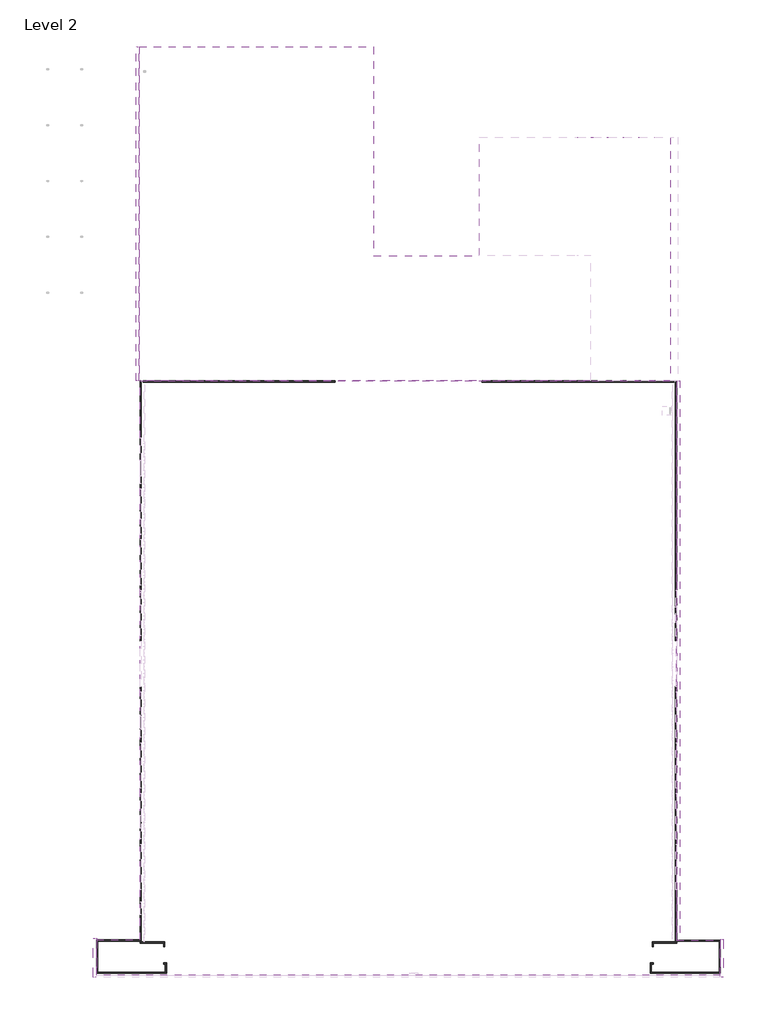
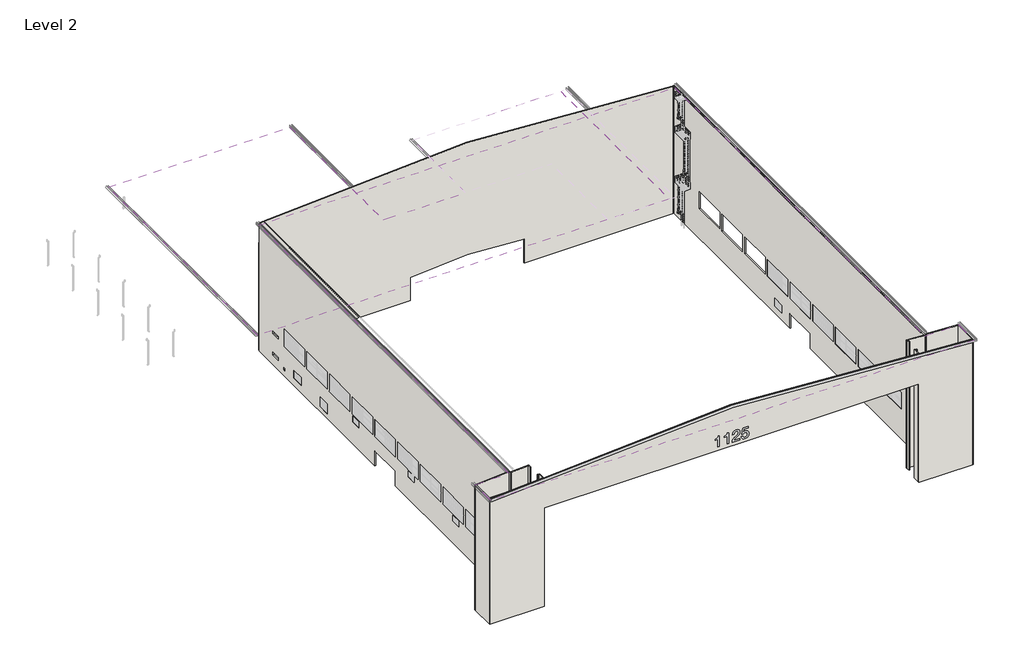
# One storey, part 1 of 10: 19 walls, 4 pipe segments, 2 roofs.
"""IFC4 building model written with IfcOpenShell, lengths in millimetres."""

from ifc_helpers import new_model, si_unit, frame, origin, place, context, project, spatial, polyline, outline, extrude, faceted_brep, element, save

model = new_model("IFC4")

# Units and contexts
model_context = context("Model", 3, world=origin())
ifc_project = project(units=[si_unit("LENGTHUNIT", "METRE", prefix="MILLI")], contexts=[model_context])

# Site, building, storey
site = spatial("IfcSite", under=ifc_project)
building = spatial("IfcBuilding", under=site)
storey = spatial("IfcBuildingStorey", under=building, Name="Level 2", Elevation=3048.0)

# Pipe segments
placement = place(None, origin())
element("IfcPipeSegment", 1, at=placement, inside=storey, context=model_context, shape_type="SweptSolid", body=[
    extrude(outline(polyline([(6020.3203907, 255436.6386377), (6020.3203907, 255773.1886377), (6172.7203907, 255814.0240946), (6350.5203907, 255773.1886377), (6355.2736161, 255697.1370312), (6345.7671653, 255696.5428781), (6342.5983484, 255747.243949), (6345.7671653, 255747.4420001), (6348.7379312, 255699.9097461), (6351.9067482, 255700.1077971), (6347.49395, 255770.7125682), (6172.7203907, 255810.7370928), (6023.4953907, 255770.7523745), (6023.4953907, 255439.8136377), (6363.2203907, 255439.8136377), (6363.2203907, 255436.6386377), (6020.3203907, 255436.6386377)])), frame((0.0, 263276.0380843, 0.0), z_axis=(0.0, 1.0, 0.0), x_axis=(0.0, 0.0, 1.0)), (0.0, 0.0, 1.0), 29270.96),
    extrude(outline(polyline([(6020.3203907, 231551.7557747), (6363.2203907, 231551.7557747), (6363.2203907, 231548.5807747), (6023.4953907, 231548.5807747), (6023.4953907, 231217.6420379), (6172.7203907, 231177.6573196), (6347.49395, 231217.6818442), (6351.9067482, 231288.2866153), (6348.7379312, 231288.4846663), (6345.7671653, 231240.9524123), (6342.5983484, 231241.1504633), (6345.7671653, 231291.8515343), (6355.2736161, 231291.2573811), (6350.5203907, 231215.2057747), (6172.7203907, 231174.3703177), (6020.3203907, 231215.2057747), (6020.3203907, 231551.7557747)])), frame((0.0, 278322.9980844, 0.0), z_axis=(0.0, 1.0, 0.0), x_axis=(0.0, 0.0, 1.0)), (0.0, 0.0, 1.0), 14224.0),
    extrude(outline(polyline([(6025.0643596, 218852.0522727), (6025.0643596, 219188.6022727), (6177.4643596, 219229.4377296), (6355.2643596, 219188.6022727), (6360.017585, 219112.5506662), (6350.5111342, 219111.9565131), (6347.3423173, 219162.657584), (6350.5111342, 219162.8556351), (6353.4819001, 219115.3233811), (6356.650717, 219115.5214321), (6352.2379188, 219186.1262032), (6177.4643596, 219226.1507278), (6028.2393596, 219186.1660095), (6028.2393596, 218855.2272727), (6367.9643596, 218855.2272727), (6367.9643596, 218852.0522727), (6025.0643596, 218852.0522727)])), frame((0.0, 278322.9980844, 0.0), z_axis=(0.0, 1.0, 0.0), x_axis=(0.0, 0.0, 1.0)), (0.0, 0.0, 1.0), 25095.2),
    extrude(outline(polyline([(6025.0643596, 190716.7529312), (6367.9643596, 190716.7529312), (6367.9643596, 190713.5779312), (6028.2393596, 190713.5779312), (6028.2393596, 190382.6391944), (6177.4643596, 190342.6544762), (6352.2379188, 190382.6790008), (6356.650717, 190453.2837718), (6353.4819001, 190453.4818229), (6350.5111342, 190405.9495689), (6347.3423173, 190406.1476199), (6350.5111342, 190456.8486909), (6360.017585, 190456.2545377), (6355.2643596, 190380.2029312), (6177.4643596, 190339.3674743), (6025.0643596, 190380.2029312), (6025.0643596, 190716.7529312)])), frame((0.0, 263311.5980843, 0.0), z_axis=(0.0, 1.0, 0.0), x_axis=(0.0, 0.0, 1.0)), (0.0, 0.0, 1.0), 40106.6),
])
element("IfcPipeSegment", 2, at=placement, inside=storey, context=model_context, shape_type="SweptSolid", body=[
    extrude(outline(polyline([(24405.8137487, 190820.3157747), (24748.7137487, 190820.3157747), (24748.7137487, 190817.1407747), (24408.9887487, 190817.1407747), (24408.9887487, 190486.2020379), (24558.2137487, 190446.2173196), (24732.9873079, 190486.2418442), (24737.4001061, 190556.8466153), (24734.2312892, 190557.0446663), (24731.2605233, 190509.5124123), (24728.0917064, 190509.7104633), (24731.2605233, 190560.4115343), (24740.7669741, 190559.8173811), (24736.0137487, 190483.7657747), (24558.2137487, 190442.9303177), (24405.8137487, 190483.7657747), (24405.8137487, 190820.3157747)])), frame((0.0, 196128.5980844, 0.0), z_axis=(0.0, 1.0, 0.0), x_axis=(0.0, 0.0, 1.0)), (0.0, 0.0, 1.0), 67147.44),
    extrude(outline(polyline([(24405.8137487, 255315.9957747), (24405.8137487, 255652.5457747), (24558.2137487, 255693.3812316), (24736.0137487, 255652.5457747), (24740.7669741, 255576.4941682), (24731.2605233, 255575.900015), (24728.0917064, 255626.601086), (24731.2605233, 255626.7991371), (24734.2312892, 255579.266883), (24737.4001061, 255579.4649341), (24732.9873079, 255650.0697052), (24558.2137487, 255690.0942297), (24408.9887487, 255650.1095115), (24408.9887487, 255319.1707747), (24748.7137487, 255319.1707747), (24748.7137487, 255315.9957747), (24405.8137487, 255315.9957747)])), frame((0.0, 196113.3580844, 0.0), z_axis=(0.0, 1.0, 0.0), x_axis=(0.0, 0.0, 1.0)), (0.0, 0.0, 1.0), 67162.68),
])
element("IfcPipeSegment", 3, at=placement, inside=storey, context=model_context, shape_type="SweptSolid", body=[
    extrude(outline(polyline([(24078.7887487, 185580.8299002), (24421.6887487, 185580.8299002), (24421.6887487, 185577.6549002), (24081.9637487, 185577.6549002), (24081.9637487, 185246.7161634), (24231.1887487, 185206.7314452), (24405.962308, 185246.7559698), (24410.3751062, 185317.3607409), (24407.2062892, 185317.5587919), (24404.2355233, 185270.0265379), (24401.0667064, 185270.2245889), (24404.2355233, 185320.9256599), (24413.7419741, 185320.3315067), (24408.9887487, 185244.2799002), (24231.1887487, 185203.4444433), (24078.7887487, 185244.2799002), (24078.7887487, 185580.8299002)])), frame((0.0, 191622.6954611, 0.0), z_axis=(0.0, 1.0, 0.0), x_axis=(0.0, 0.0, 1.0)), (0.0, 0.0, 1.0), 4709.8496821),
])
element("IfcPipeSegment", 4, at=placement, inside=storey, context=model_context, shape_type="SweptSolid", body=[
    extrude(outline(polyline([(24078.7887487, 260548.3957747), (24078.7887487, 260884.9457747), (24231.1887487, 260925.7812316), (24408.9887487, 260884.9457747), (24413.7419741, 260808.8941682), (24404.2355233, 260808.300015), (24401.0667064, 260859.001086), (24404.2355233, 260859.1991371), (24407.2062892, 260811.666883), (24410.3751061, 260811.8649341), (24405.9623079, 260882.4697052), (24231.1887487, 260922.4942297), (24081.9637487, 260882.5095115), (24081.9637487, 260551.5707747), (24421.6887487, 260551.5707747), (24421.6887487, 260548.3957747), (24078.7887487, 260548.3957747)])), frame((0.0, 191668.1626274, 0.0), z_axis=(0.0, 1.0, 0.0), x_axis=(0.0, 0.0, 1.0)), (0.0, 0.0, 1.0), 4562.0354569),
])

# Roofs
element("IfcRoof", 5, ObjectType="HANGAR ROOF", at=placement, inside=storey, context=model_context, shape_type="Brep", body=[
    faceted_brep([(260548.3957747, 196113.3580844, 24154.468358), (260548.3957747, 191861.3980844, 24154.468358), (223068.1557747, 191861.3980844, 26496.983358), (223068.1557747, 263276.0380843, 26496.983358), (255315.9957747, 263276.0380843, 24481.493358), (255315.9957747, 196113.3580844, 24481.493358), (254544.4707747, 259234.8980843, 24529.7136705), (254544.4707747, 260149.2980843, 24529.7136705), (253631.8514969, 260149.2980843, 24586.7523753), (253631.8514969, 259234.8980843, 24586.7523753), (260548.3957747, 191861.3980844, 24421.6887487), (260548.3957747, 196113.3580844, 24421.6887487), (255315.9957747, 196113.3580844, 24748.7137487), (255315.9957747, 263276.0380843, 24748.7137487), (223068.1557747, 263276.0380843, 26764.2037487), (223068.1557747, 191861.3980844, 26764.2037487), (254561.1070636, 259234.8980843, 24795.8942932), (253648.4877858, 259234.8980843, 24852.932998), (253648.4877858, 260149.2980843, 24852.932998), (254561.1070636, 260149.2980843, 24795.8942932), (185580.8299002, 191861.3980844, 24421.2458816), (185580.8299002, 191861.3980844, 24154.0254908), (190820.3157747, 263276.0380843, 24748.7137487), (190820.3157747, 263276.0380843, 24481.493358), (190820.3157747, 196128.5980844, 24481.493358), (190820.3157747, 196128.5980844, 24748.7137487), (185580.8299003, 196128.5980844, 24154.0254908), (185580.8299003, 196128.5980844, 24421.2458816)], [[[0, 1, 2, 3, 4, 5], [6, 7, 8, 9]], [[10, 11, 12, 13, 14, 15], [16, 17, 18, 19]], [[4, 13, 12, 5]], [[10, 15, 20, 21, 2, 1]], [[22, 14, 13, 4, 3, 23]], [[24, 25, 22, 23]], [[2, 21, 26, 24, 23, 3]], [[20, 15, 14, 22, 25, 27]], [[27, 25, 24, 26]], [[20, 27, 26, 21]], [[12, 11, 0, 5]], [[11, 10, 1, 0]], [[17, 16, 6, 9]], [[18, 17, 9, 8]], [[19, 18, 8, 7]], [[16, 19, 7, 6]]]),
])
element("IfcRoof", 6, ObjectType="HANGAR ROOF", at=placement, inside=storey, context=model_context, shape_type="Brep", body=[
    faceted_brep([(190716.7529312, 303418.1980843, 6100.7439689), (204784.402602, 303418.1980843, 6979.9720733), (204784.402602, 278322.9980844, 6979.9720733), (206922.1657279, 278322.9980844, 7113.5822687), (218852.0522727, 278322.9980844, 7859.2001777), (222627.902602, 278322.9980844, 8095.1908233), (222627.902602, 263311.5980843, 8095.1908233), (190716.7529312, 263311.5980843, 6100.7439689), (190716.7529312, 303418.1980843, 6367.9643596), (190716.7529312, 263311.5980843, 6367.9643596), (222627.902602, 263311.5980843, 8362.411214), (222627.902602, 278322.9980844, 8362.411214), (218852.0522727, 278322.9980844, 8126.4205685), (204784.402602, 278322.9980844, 7247.192464), (204784.402602, 303418.1980843, 7247.192464), (218852.0522727, 303418.1980843, 6100.7439689), (218852.0522727, 278322.9980844, 6100.7439689), (218852.0522727, 303418.1980843, 6367.9643596), (218852.0522727, 278322.9980844, 6367.9643596), (254539.0522727, 263311.5980843, 6100.7439689), (231577.4522727, 278322.9980844, 7535.8439689), (240920.4891468, 278322.9980844, 6951.9041642), (243058.2522727, 278322.9980844, 6818.2939689), (243058.2522727, 292546.9980843, 6818.2939689), (243083.3557746, 292546.9980843, 6816.725), (254539.0522727, 292546.9980843, 6100.7439689), (231577.4522727, 278322.9980844, 6100.7439689), (231577.4522727, 292546.9980843, 6100.7439689), (254539.0522727, 263311.5980843, 6367.9643596), (254539.0522727, 292546.9980843, 6367.9643596), (243083.3557746, 292546.9980843, 7083.9453907), (243058.2522727, 292546.9980843, 7085.5143596), (243058.2522727, 278322.9980844, 7085.5143596), (231577.4522727, 278322.9980844, 7803.0643596), (244969.3057747, 263311.5980843, 6966.0735157), (231577.4522727, 292546.9980843, 6367.9643596), (231577.4522727, 278322.9980844, 6367.9643596), (254539.0522727, 292546.9980843, 6152.0991478), (254539.0522727, 263311.5980843, 6152.0991478), (231577.4522727, 278322.9980844, 6364.8264219), (231577.4522727, 292546.9980843, 6364.8264219)], [[[0, 1, 2, 3, 4, 5, 6, 7]], [[8, 9, 10, 11, 12, 13, 14]], [[7, 9, 8, 0]], [[1, 15, 16, 2]], [[17, 14, 13, 3, 18]], [[15, 17, 18, 16]], [[8, 14, 17, 15, 1, 0]], [[19, 6, 5, 20, 21, 22, 23, 24, 25]], [[26, 27, 23, 22]], [[28, 29, 30, 31, 32, 33, 11, 10, 34]], [[35, 36, 21, 32, 31]], [[25, 37, 29, 28, 38, 19]], [[26, 39, 36, 35, 40, 27]], [[28, 34, 10, 9, 7, 6, 19, 38]], [[18, 3, 2, 16]], [[3, 13, 12, 11, 33, 32, 21, 20, 5, 4]], [[21, 36, 39, 26, 22]], [[35, 31, 30, 29, 37, 25, 24, 23, 27, 40]]]),
])

# Walls
element("IfcWall", 7, ObjectType="6\" Structural Insulated Panel", at=placement, inside=storey, context=model_context, shape_type="Brep", body=[
    faceted_brep([(190972.7157747, 195747.5980844, 3657.6), (190972.7157747, 195899.9980844, 3657.6), (190972.7157747, 226541.9230843, 3657.6), (190972.7157747, 226541.9230843, 6096.0), (190972.7157747, 232028.3230843, 6096.0), (190972.7157747, 232028.3230843, 3657.6), (190972.7157747, 263123.6380843, 3657.6), (190972.7157747, 263123.6380843, 24491.018358), (190972.7157747, 195899.9980844, 24491.018358), (190972.7157747, 195747.5980844, 24491.018358), (190972.7157747, 250925.9230843, 8534.4), (190972.7157747, 250925.9230843, 11278.616), (190972.7157747, 256412.3230843, 11278.616), (190972.7157747, 256412.3230843, 8534.4), (190972.7157747, 244829.9230843, 11278.616), (190972.7157747, 250316.3230843, 11278.616), (190972.7157747, 250316.3230843, 8534.4), (190972.7157747, 244829.9230843, 8534.4), (190972.7157747, 238733.9230843, 11278.616), (190972.7157747, 244220.3230843, 11278.616), (190972.7157747, 244220.3230843, 8534.4), (190972.7157747, 238733.9230843, 8534.4), (190972.7157747, 232637.9230843, 11278.616), (190972.7157747, 238124.3230843, 11278.616), (190972.7157747, 238124.3230843, 8534.4), (190972.7157747, 232637.9230843, 8534.4), (190972.7157747, 226541.9230843, 11278.616), (190972.7157747, 232028.3230843, 11278.616), (190972.7157747, 232028.3230843, 8534.4), (190972.7157747, 226541.9230843, 8534.4), (190972.7157747, 220445.9230843, 11278.616), (190972.7157747, 225932.3230843, 11278.616), (190972.7157747, 225932.3230843, 8534.4), (190972.7157747, 220445.9230843, 8534.4), (190972.7157747, 202157.9230843, 11278.616), (190972.7157747, 207644.3230843, 11278.616), (190972.7157747, 207644.3230843, 8534.4), (190972.7157747, 202157.9230843, 8534.4), (190972.7157747, 208253.9230843, 11278.616), (190972.7157747, 213740.3230843, 11278.616), (190972.7157747, 213740.3230843, 8534.4), (190972.7157747, 208253.9230843, 8534.4), (190972.7157747, 214349.9230843, 11278.616), (190972.7157747, 219836.3230843, 11278.616), (190972.7157747, 219836.3230843, 8534.4), (190972.7157747, 214349.9230843, 8534.4), (190972.7157747, 256177.7699594, 4584.9925518), (190972.7157747, 256177.7699594, 4940.5925518), (190972.7157747, 256533.3699594, 4940.5925518), (190972.7157747, 256533.3699594, 4584.9925518), (190972.7157747, 251823.7776019, 4842.8279518), (190972.7157747, 251823.7776019, 6112.8279518), (190972.7157747, 253754.1776019, 6112.8279518), (190972.7157747, 253754.1776019, 4842.8279518), (190972.7157747, 257926.7980843, 5249.2279518), (190972.7157747, 257926.7980843, 5706.4279518), (190972.7157747, 259399.9980843, 5706.4279518), (190972.7157747, 259399.9980843, 5249.2279518), (190972.7157747, 257926.7980843, 8729.0279518), (190972.7157747, 257926.7980843, 9186.2279518), (190972.7157747, 259399.9980843, 9186.2279518), (190972.7157747, 259399.9980843, 8729.0279518), (190972.7157747, 244769.5980844, 4461.8279518), (190972.7157747, 244769.5980844, 6036.6279518), (190972.7157747, 246699.9980844, 6036.6279518), (190972.7157747, 246699.9980844, 4461.8279518), (190972.7157747, 236336.7980843, 7281.2279518), (190972.7157747, 236336.7980843, 8246.4279518), (190972.7157747, 237911.5980843, 8246.4279518), (190972.7157747, 237911.5980843, 7281.2279518), (190972.7157747, 221507.997223, 7281.2279518), (190972.7157747, 221507.997223, 8246.4279518), (190972.7157747, 223082.797223, 8246.4279518), (190972.7157747, 223082.797223, 7281.2279518), (190972.7157747, 209514.3980843, 7281.2279518), (190972.7157747, 209514.3980843, 8246.4279518), (190972.7157747, 211089.1980843, 8246.4279518), (190972.7157747, 211089.1980843, 7281.2279518), (190972.7157747, 199151.1980843, 7281.2279518), (190972.7157747, 199151.1980843, 8246.4279518), (190972.7157747, 200725.9980843, 8246.4279518), (190972.7157747, 200725.9980843, 7281.2279518), (190820.3157747, 226541.9230843, 3657.6), (190820.3157747, 196128.5980844, 3657.6), (190820.3157747, 196113.3580844, 3657.6), (190820.3157747, 195976.1980844, 3657.6), (190820.3157747, 195960.9580844, 3657.6), (190820.3157747, 195747.5980844, 3657.6), (190820.3157747, 195747.5980844, 24481.493358), (190820.3157747, 195976.1980844, 24481.493358), (190820.3157747, 196128.5980844, 24481.493358), (190820.3157747, 263123.6380843, 24481.493358), (190820.3157747, 263123.6380843, 21336.0), (190820.3157747, 263123.6380843, 3657.6), (190820.3157747, 232028.3230843, 3657.6), (190820.3157747, 232028.3230843, 6096.0), (190820.3157747, 226541.9230843, 6096.0), (190820.3157747, 250925.9230843, 11278.616), (190820.3157747, 250925.9230843, 8534.4), (190820.3157747, 256412.3230843, 8534.4), (190820.3157747, 256412.3230843, 11278.616), (190820.3157747, 250316.3230843, 11278.616), (190820.3157747, 244829.9230843, 11278.616), (190820.3157747, 244829.9230843, 8534.4), (190820.3157747, 250316.3230843, 8534.4), (190820.3157747, 244220.3230843, 11278.616), (190820.3157747, 238733.9230843, 11278.616), (190820.3157747, 238733.9230843, 8534.4), (190820.3157747, 244220.3230843, 8534.4), (190820.3157747, 238124.3230843, 11278.616), (190820.3157747, 232637.9230843, 11278.616), (190820.3157747, 232637.9230843, 8534.4), (190820.3157747, 238124.3230843, 8534.4), (190820.3157747, 232028.3230843, 11278.616), (190820.3157747, 226541.9230843, 11278.616), (190820.3157747, 226541.9230843, 8534.4), (190820.3157747, 232028.3230843, 8534.4), (190820.3157747, 225932.3230843, 11278.616), (190820.3157747, 220445.9230843, 11278.616), (190820.3157747, 220445.9230843, 8534.4), (190820.3157747, 225932.3230843, 8534.4), (190820.3157747, 207644.3230843, 11278.616), (190820.3157747, 202157.9230843, 11278.616), (190820.3157747, 202157.9230843, 8534.4), (190820.3157747, 207644.3230843, 8534.4), (190820.3157747, 213740.3230843, 11278.616), (190820.3157747, 208253.9230843, 11278.616), (190820.3157747, 208253.9230843, 8534.4), (190820.3157747, 213740.3230843, 8534.4), (190820.3157747, 219836.3230843, 11278.616), (190820.3157747, 214349.9230843, 11278.616), (190820.3157747, 214349.9230843, 8534.4), (190820.3157747, 219836.3230843, 8534.4), (190820.3157747, 256177.7699594, 4584.9925518), (190820.3157747, 256533.3699594, 4584.9925518), (190820.3157747, 256533.3699594, 4940.5925518), (190820.3157747, 256177.7699594, 4940.5925518), (190820.3157747, 251823.7776019, 4842.8279518), (190820.3157747, 253754.1776019, 4842.8279518), (190820.3157747, 253754.1776019, 6112.8279518), (190820.3157747, 251823.7776019, 6112.8279518), (190820.3157747, 257926.7980843, 5249.2279518), (190820.3157747, 259399.9980843, 5249.2279518), (190820.3157747, 259399.9980843, 5706.4279518), (190820.3157747, 257926.7980843, 5706.4279518), (190820.3157747, 257926.7980843, 8729.0279518), (190820.3157747, 259399.9980843, 8729.0279518), (190820.3157747, 259399.9980843, 9186.2279518), (190820.3157747, 257926.7980843, 9186.2279518), (190820.3157747, 244769.5980844, 4461.8279518), (190820.3157747, 246699.9980844, 4461.8279518), (190820.3157747, 246699.9980844, 6036.6279518), (190820.3157747, 244769.5980844, 6036.6279518), (190820.3157747, 236336.7980843, 7281.2279518), (190820.3157747, 237911.5980843, 7281.2279518), (190820.3157747, 237911.5980843, 8246.4279518), (190820.3157747, 236336.7980843, 8246.4279518), (190820.3157747, 221507.997223, 7281.2279518), (190820.3157747, 223082.797223, 7281.2279518), (190820.3157747, 223082.797223, 8246.4279518), (190820.3157747, 221507.997223, 8246.4279518), (190820.3157747, 209514.3980843, 7281.2279518), (190820.3157747, 211089.1980843, 7281.2279518), (190820.3157747, 211089.1980843, 8246.4279518), (190820.3157747, 209514.3980843, 8246.4279518), (190820.3157747, 199151.1980843, 7281.2279518), (190820.3157747, 200725.9980843, 7281.2279518), (190820.3157747, 200725.9980843, 8246.4279518), (190820.3157747, 199151.1980843, 8246.4279518), (190869.1529312, 263123.6380843, 3657.6)], [[[0, 1, 2, 3, 4, 5, 6, 7, 8, 9], [10, 11, 12, 13], [14, 15, 16, 17], [18, 19, 20, 21], [22, 23, 24, 25], [26, 27, 28, 29], [30, 31, 32, 33], [34, 35, 36, 37], [38, 39, 40, 41], [42, 43, 44, 45], [46, 47, 48, 49], [50, 51, 52, 53], [54, 55, 56, 57], [58, 59, 60, 61], [62, 63, 64, 65], [66, 67, 68, 69], [70, 71, 72, 73], [74, 75, 76, 77], [78, 79, 80, 81]], [[82, 83, 84, 85, 86, 87, 88, 89, 90, 91, 92, 93, 94, 95, 96], [97, 98, 99, 100], [101, 102, 103, 104], [105, 106, 107, 108], [109, 110, 111, 112], [113, 114, 115, 116], [117, 118, 119, 120], [121, 122, 123, 124], [125, 126, 127, 128], [129, 130, 131, 132], [133, 134, 135, 136], [137, 138, 139, 140], [141, 142, 143, 144], [145, 146, 147, 148], [149, 150, 151, 152], [153, 154, 155, 156], [157, 158, 159, 160], [161, 162, 163, 164], [165, 166, 167, 168]], [[10, 98, 97, 11]], [[12, 11, 97, 100]], [[12, 100, 99, 13]], [[98, 10, 13, 99]], [[102, 14, 17, 103]], [[15, 14, 102, 101]], [[15, 101, 104, 16]], [[103, 17, 16, 104]], [[106, 18, 21, 107]], [[19, 18, 106, 105]], [[19, 105, 108, 20]], [[107, 21, 20, 108]], [[110, 22, 25, 111]], [[23, 22, 110, 109]], [[23, 109, 112, 24]], [[111, 25, 24, 112]], [[114, 26, 29, 115]], [[27, 26, 114, 113]], [[27, 113, 116, 28]], [[115, 29, 28, 116]], [[118, 30, 33, 119]], [[31, 30, 118, 117]], [[31, 117, 120, 32]], [[119, 33, 32, 120]], [[122, 34, 37, 123]], [[35, 34, 122, 121]], [[35, 121, 124, 36]], [[123, 37, 36, 124]], [[126, 38, 41, 127]], [[39, 38, 126, 125]], [[39, 125, 128, 40]], [[127, 41, 40, 128]], [[130, 42, 45, 131]], [[43, 42, 130, 129]], [[43, 129, 132, 44]], [[131, 45, 44, 132]], [[2, 1, 0, 87, 86, 85, 84, 83, 82]], [[3, 2, 82, 96]], [[4, 3, 96, 95]], [[5, 4, 95, 94]], [[6, 5, 94, 93, 169]], [[90, 89, 88, 9, 8, 7, 91]], [[0, 9, 88, 87]], [[47, 46, 133, 136]], [[48, 47, 136, 135]], [[49, 48, 135, 134]], [[46, 49, 134, 133]], [[51, 50, 137, 140]], [[52, 51, 140, 139]], [[53, 52, 139, 138]], [[50, 53, 138, 137]], [[55, 54, 141, 144]], [[56, 55, 144, 143]], [[57, 56, 143, 142]], [[54, 57, 142, 141]], [[59, 58, 145, 148]], [[60, 59, 148, 147]], [[61, 60, 147, 146]], [[58, 61, 146, 145]], [[63, 62, 149, 152]], [[64, 63, 152, 151]], [[65, 64, 151, 150]], [[62, 65, 150, 149]], [[67, 66, 153, 156]], [[68, 67, 156, 155]], [[69, 68, 155, 154]], [[66, 69, 154, 153]], [[71, 70, 157, 160]], [[72, 71, 160, 159]], [[73, 72, 159, 158]], [[70, 73, 158, 157]], [[75, 74, 161, 164]], [[76, 75, 164, 163]], [[77, 76, 163, 162]], [[74, 77, 162, 161]], [[79, 78, 165, 168]], [[80, 79, 168, 167]], [[81, 80, 167, 166]], [[78, 81, 166, 165]], [[7, 6, 169, 93, 92, 91]]]),
])
element("IfcWall", 8, ObjectType="6\" Structural Insulated Panel", at=placement, inside=storey, context=model_context, shape_type="Brep", body=[
    faceted_brep([(255315.9957747, 263276.0380843, 3657.6), (255284.2386377, 263276.0380843, 3657.6), (255284.2386377, 263276.0380843, 5855.2203907), (255131.8386377, 263276.0380843, 5855.2203907), (255131.8386377, 263276.0380843, 24493.003179), (255315.9957747, 263276.0380843, 24481.493358), (255315.9957747, 263123.6380843, 3657.6), (255315.9957747, 263123.6380843, 24481.493358), (255163.5957747, 263123.6380843, 24491.018358), (255131.8386377, 263123.6380843, 24493.003179), (255131.8386377, 263123.6380843, 5855.2203907), (255284.2386377, 263123.6380843, 5855.2203907), (255284.2386377, 263123.6380843, 3657.6), (255284.2386377, 263199.8380843, 5855.2203907)], [[[0, 1, 2, 3, 4, 5]], [[6, 7, 8, 9, 10, 11, 12]], [[1, 0, 6, 12]], [[0, 5, 7, 6]], [[5, 4, 9, 8, 7]], [[4, 3, 10, 9]], [[10, 3, 2, 13, 11]], [[2, 1, 12, 11, 13]]]),
])
element("IfcWall", 9, ObjectType="6\" Structural Insulated Panel", at=placement, inside=storey, context=model_context, shape_type="Brep", body=[
    faceted_brep([(255163.5957747, 263123.6380843, 24491.018358), (255163.5957747, 263123.6380843, 3657.6), (255163.5957747, 232076.9714147, 3657.6), (255163.5957747, 232076.9714147, 6096.0), (255163.5957747, 226590.5714147, 6096.0), (255163.5957747, 226590.5714147, 3657.6), (255163.5957747, 195909.5230844, 3657.6), (255163.5957747, 195757.1230844, 3657.6), (255163.5957747, 195757.1230844, 24491.018358), (255163.5957747, 195909.5230844, 24491.018358), (255163.5957747, 214340.3980843, 11278.616), (255163.5957747, 214340.3980843, 8534.4), (255163.5957747, 219826.7980843, 8534.4), (255163.5957747, 219826.7980843, 11278.616), (255163.5957747, 213730.7980843, 11278.616), (255163.5957747, 208244.3980843, 11278.616), (255163.5957747, 208244.3980843, 8534.4), (255163.5957747, 213730.7980843, 8534.4), (255163.5957747, 207634.7980843, 11278.616), (255163.5957747, 202148.3980843, 11278.616), (255163.5957747, 202148.3980843, 8534.4), (255163.5957747, 207634.7980843, 8534.4), (255163.5957747, 225922.7980843, 11277.6), (255163.5957747, 220436.3980843, 11277.6), (255163.5957747, 220436.3980843, 8533.384), (255163.5957747, 225922.7980843, 8533.384), (255163.5957747, 232018.7980843, 11278.616), (255163.5957747, 226532.3980843, 11278.616), (255163.5957747, 226532.3980843, 8534.4), (255163.5957747, 232018.7980843, 8534.4), (255163.5957747, 238114.7980843, 11278.616), (255163.5957747, 232628.3980843, 11278.616), (255163.5957747, 232628.3980843, 8534.4), (255163.5957747, 238114.7980843, 8534.4), (255163.5957747, 244210.7980843, 11278.616), (255163.5957747, 238724.3980843, 11278.616), (255163.5957747, 238724.3980843, 8534.4), (255163.5957747, 244210.7980843, 8534.4), (255163.5957747, 250306.7980843, 11278.616), (255163.5957747, 244820.3980843, 11278.616), (255163.5957747, 244820.3980843, 8534.4), (255163.5957747, 250306.7980843, 8534.4), (255163.5957747, 256402.7980843, 11278.616), (255163.5957747, 250916.3980843, 11278.616), (255163.5957747, 250916.3980843, 8534.4), (255163.5957747, 256402.7980843, 8534.4), (255163.5957747, 236127.2480843, 4842.8279518), (255163.5957747, 236127.2480843, 6112.8279518), (255163.5957747, 234196.8480843, 6112.8279518), (255163.5957747, 234196.8480843, 4842.8279518), (255315.9957747, 263123.6380843, 3657.6), (255315.9957747, 263123.6380843, 24481.493358), (255315.9957747, 196113.3580844, 24481.493358), (255315.9957747, 195960.9580844, 24481.493358), (255315.9957747, 195757.1230844, 24481.493358), (255315.9957747, 195757.1230844, 3657.6), (255315.9957747, 195960.9580844, 3657.6), (255315.9957747, 196113.3580844, 3657.6), (255315.9957747, 226590.5714147, 3657.6), (255315.9957747, 226590.5714147, 6096.0), (255315.9957747, 232076.9714147, 6096.0), (255315.9957747, 232076.9714147, 3657.6), (255315.9957747, 214340.3980843, 8534.4), (255315.9957747, 214340.3980843, 11278.616), (255315.9957747, 219826.7980843, 11278.616), (255315.9957747, 219826.7980843, 8534.4), (255315.9957747, 208244.3980843, 11278.616), (255315.9957747, 213730.7980843, 11278.616), (255315.9957747, 213730.7980843, 8534.4), (255315.9957747, 208244.3980843, 8534.4), (255315.9957747, 202148.3980843, 11278.616), (255315.9957747, 207634.7980843, 11278.616), (255315.9957747, 207634.7980843, 8534.4), (255315.9957747, 202148.3980843, 8534.4), (255315.9957747, 220436.3980843, 11277.6), (255315.9957747, 225922.7980843, 11277.6), (255315.9957747, 225922.7980843, 8533.384), (255315.9957747, 220436.3980843, 8533.384), (255315.9957747, 226532.3980843, 11278.616), (255315.9957747, 232018.7980843, 11278.616), (255315.9957747, 232018.7980843, 8534.4), (255315.9957747, 226532.3980843, 8534.4), (255315.9957747, 232628.3980843, 11278.616), (255315.9957747, 238114.7980843, 11278.616), (255315.9957747, 238114.7980843, 8534.4), (255315.9957747, 232628.3980843, 8534.4), (255315.9957747, 238724.3980843, 11278.616), (255315.9957747, 244210.7980843, 11278.616), (255315.9957747, 244210.7980843, 8534.4), (255315.9957747, 238724.3980843, 8534.4), (255315.9957747, 244820.3980843, 11278.616), (255315.9957747, 250306.7980843, 11278.616), (255315.9957747, 250306.7980843, 8534.4), (255315.9957747, 244820.3980843, 8534.4), (255315.9957747, 250916.3980843, 11278.616), (255315.9957747, 256402.7980843, 11278.616), (255315.9957747, 256402.7980843, 8534.4), (255315.9957747, 250916.3980843, 8534.4), (255315.9957747, 236127.2480843, 6112.8279518), (255315.9957747, 236127.2480843, 4842.8279518), (255315.9957747, 234196.8480843, 4842.8279518), (255315.9957747, 234196.8480843, 6112.8279518), (255284.2386377, 263123.6380843, 3657.6)], [[[0, 1, 2, 3, 4, 5, 6, 7, 8, 9], [10, 11, 12, 13], [14, 15, 16, 17], [18, 19, 20, 21], [22, 23, 24, 25], [26, 27, 28, 29], [30, 31, 32, 33], [34, 35, 36, 37], [38, 39, 40, 41], [42, 43, 44, 45], [46, 47, 48, 49]], [[50, 51, 52, 53, 54, 55, 56, 57, 58, 59, 60, 61], [62, 63, 64, 65], [66, 67, 68, 69], [70, 71, 72, 73], [74, 75, 76, 77], [78, 79, 80, 81], [82, 83, 84, 85], [86, 87, 88, 89], [90, 91, 92, 93], [94, 95, 96, 97], [98, 99, 100, 101]], [[1, 102, 50, 61, 2]], [[7, 6, 5, 58, 57, 56, 55]], [[1, 0, 51, 50, 102]], [[62, 11, 10, 63]], [[64, 63, 10, 13]], [[64, 13, 12, 65]], [[11, 62, 65, 12]], [[15, 66, 69, 16]], [[67, 66, 15, 14]], [[67, 14, 17, 68]], [[16, 69, 68, 17]], [[19, 70, 73, 20]], [[71, 70, 19, 18]], [[71, 18, 21, 72]], [[20, 73, 72, 21]], [[23, 74, 77, 24]], [[75, 74, 23, 22]], [[75, 22, 25, 76]], [[24, 77, 76, 25]], [[27, 78, 81, 28]], [[79, 78, 27, 26]], [[79, 26, 29, 80]], [[28, 81, 80, 29]], [[31, 82, 85, 32]], [[83, 82, 31, 30]], [[83, 30, 33, 84]], [[32, 85, 84, 33]], [[35, 86, 89, 36]], [[87, 86, 35, 34]], [[87, 34, 37, 88]], [[36, 89, 88, 37]], [[39, 90, 93, 40]], [[91, 90, 39, 38]], [[91, 38, 41, 92]], [[40, 93, 92, 41]], [[43, 94, 97, 44]], [[95, 94, 43, 42]], [[95, 42, 45, 96]], [[44, 97, 96, 45]], [[5, 4, 59, 58]], [[3, 2, 61, 60]], [[51, 0, 9, 8, 54, 53, 52]], [[8, 7, 55, 54]], [[3, 60, 59, 4]], [[47, 46, 99, 98]], [[48, 47, 98, 101]], [[49, 48, 101, 100]], [[46, 49, 100, 99]]]),
])
element("IfcWall", 10, ObjectType="6\" Structural Insulated Panel", at=placement, inside=storey, context=model_context, shape_type="SweptSolid", body=[
    extrude(outline(polyline([(21336.0, 190820.3157747), (3657.6, 190820.3157747), (3657.6, 190869.1529312), (5855.2203907, 190869.1529312), (5855.2203907, 191021.5529312), (21336.0, 191021.5529312), (21336.0, 190820.3157747)])), frame((0.0, 263123.6380843, 0.0), z_axis=(0.0, 1.0, 0.0), x_axis=(0.0, 0.0, 1.0)), (0.0, 0.0, 1.0), 152.4),
])
element("IfcWall", 11, ObjectType="6\" Structural Insulated Panel", at=placement, inside=storey, context=model_context, shape_type="Brep", body=[
    faceted_brep([(214238.4807747, 263276.0380843, 7497.4642635), (214238.4807747, 263276.0380843, 3657.6), (191173.9529312, 263276.0380843, 3657.6), (191173.9529312, 263276.0380843, 5855.2203907), (191021.5529312, 263276.0380843, 5855.2203907), (191021.5529312, 263276.0380843, 21336.0), (191021.5529312, 263276.0380843, 24494.0706803), (223068.1557747, 263276.0380843, 26496.983358), (254979.4386377, 263276.0380843, 24502.528179), (254979.4386377, 263276.0380843, 3657.6), (231907.3557747, 263276.0380843, 3657.6), (231907.3557747, 263276.0380843, 7612.359576), (223082.4432747, 263276.0380843, 8163.9166073), (214238.4807747, 263123.6380843, 7497.4642635), (223082.4432747, 263123.6380843, 8163.9166073), (231907.3557747, 263123.6380843, 7612.359576), (231907.3557747, 263123.6380843, 3657.6), (254979.4386377, 263123.6380843, 3657.6), (254979.4386377, 263123.6380843, 24502.528179), (223068.1557747, 263123.6380843, 26496.983358), (191021.5529312, 263123.6380843, 24494.0706803), (191021.5529312, 263123.6380843, 21336.0), (191021.5529312, 263123.6380843, 5855.2203907), (191173.9529312, 263123.6380843, 5855.2203907), (191173.9529312, 263123.6380843, 3657.6), (214238.4807747, 263123.6380843, 3657.6)], [[[0, 1, 2, 3, 4, 5, 6, 7, 8, 9, 10, 11, 12]], [[13, 14, 15, 16, 17, 18, 19, 20, 21, 22, 23, 24, 25]], [[11, 10, 16, 15]], [[2, 1, 25, 24]], [[12, 11, 15, 14]], [[1, 0, 13, 25]], [[0, 12, 14, 13]], [[10, 9, 17, 16]], [[8, 7, 19, 18]], [[7, 6, 20, 19]], [[6, 5, 4, 22, 21, 20]], [[22, 4, 3, 23]], [[3, 2, 24, 23]], [[9, 8, 18, 17]]]),
])
element("IfcWall", 12, ObjectType="6\" Structural Insulated Panel", at=placement, inside=storey, context=model_context, shape_type="Brep", body=[
    faceted_brep([(260548.3957747, 196113.3580844, 3657.6), (255315.9957747, 196113.3580844, 3657.6), (255315.9957747, 196113.3580844, 24481.493358), (260548.3957747, 196113.3580844, 24154.468358), (260548.3957747, 195960.9580844, 3657.6), (260548.3957747, 195960.9580844, 24154.468358), (260395.9957747, 195960.9580844, 24163.993358), (255315.9957747, 195960.9580844, 24481.493358), (255315.9957747, 195960.9580844, 3657.6), (260395.9957747, 195960.9580844, 3657.6)], [[[0, 1, 2, 3]], [[4, 5, 6, 7, 8, 9]], [[1, 0, 4, 9, 8]], [[0, 3, 5, 4]], [[2, 1, 8, 7]], [[3, 2, 7, 6, 5]]]),
])
element("IfcWall", 13, ObjectType="6\" Structural Insulated Panel", at=placement, inside=storey, context=model_context, shape_type="Brep", body=[
    faceted_brep([(260395.9957747, 195960.9580844, 3657.6), (260395.9957747, 192279.9165988, 3657.6), (260395.9957747, 192127.5165988, 3657.6), (260395.9957747, 192127.5165988, 24163.993358), (260395.9957747, 192279.9165988, 24163.993358), (260395.9957747, 195960.9580844, 24163.993358), (260548.3957747, 195960.9580844, 3657.6), (260548.3957747, 195960.9580844, 24154.468358), (260548.3957747, 192127.5165988, 24154.468358), (260548.3957747, 192127.5165988, 3657.6)], [[[0, 1, 2, 3, 4, 5]], [[6, 7, 8, 9]], [[2, 1, 0, 6, 9]], [[0, 5, 7, 6]], [[3, 2, 9, 8]], [[5, 4, 3, 8, 7]]]),
])
element("IfcWall", 14, ObjectType="6\" Structural Insulated Panel", at=placement, inside=storey, context=model_context, shape_type="Brep", body=[
    faceted_brep([(252278.1557747, 192279.9165988, 24671.358358), (252278.1557747, 192279.9165988, 3657.6), (252278.1557747, 193217.7580844, 3657.6), (252278.1557747, 193370.1580844, 3657.6), (252278.1557747, 193370.1580844, 24671.358358), (252278.1557747, 193217.7580844, 24671.358358), (252125.7557747, 192279.9165988, 3657.6), (252125.7557747, 192279.9165988, 19837.4), (252125.7557747, 192279.9165988, 24680.883358), (252125.7557747, 193370.1580844, 24680.883358), (252125.7557747, 193370.1580844, 3657.6)], [[[0, 1, 2, 3, 4, 5]], [[6, 7, 8, 9, 10]], [[3, 2, 1, 6, 10]], [[4, 3, 10, 9]], [[0, 8, 7, 6, 1]], [[0, 5, 4, 9, 8]]]),
])
element("IfcWall", 15, ObjectType="6\" Structural Insulated Panel", at=placement, inside=storey, context=model_context, shape_type="Brep", body=[
    faceted_brep([(193781.9557747, 195899.9980844, 3657.6), (190972.7157747, 195899.9980844, 3657.6), (190972.7157747, 195899.9980844, 24491.018358), (193781.9557747, 195899.9980844, 24666.595858), (193781.9557747, 195747.5980844, 3657.6), (193781.9557747, 195747.5980844, 24666.595858), (193629.5557747, 195747.5980844, 24657.070858), (190972.7157747, 195747.5980844, 24491.018358), (190972.7157747, 195747.5980844, 3657.6), (193629.5557747, 195747.5980844, 3657.6)], [[[0, 1, 2, 3]], [[4, 5, 6, 7, 8, 9]], [[1, 0, 4, 9, 8]], [[0, 3, 5, 4]], [[2, 1, 8, 7]], [[3, 2, 7, 6, 5]]]),
])
element("IfcWall", 16, ObjectType="6\" Structural Insulated Panel", at=placement, inside=storey, context=model_context, shape_type="SweptSolid", body=[
    extrude(outline(polyline([(24657.070858, 193629.5557747), (3657.6, 193629.5557747), (3657.6, 193781.9557747), (24666.595858, 193781.9557747), (24657.070858, 193629.5557747)])), frame((0.0, 195331.0380844, 0.0), z_axis=(0.0, 1.0, 0.0), x_axis=(0.0, 0.0, 1.0)), (0.0, 0.0, 1.0), 416.56),
])
element("IfcWall", 17, ObjectType="6\" Structural Insulated Panel", at=placement, inside=storey, context=model_context, shape_type="Brep", body=[
    faceted_brep([(185580.8299002, 192127.5165988, 3657.6), (194010.5557747, 192127.5165988, 3657.6), (194010.5557747, 192127.5165988, 19837.4), (252125.7557747, 192127.5165988, 19837.4), (252125.7557747, 192127.5165988, 3657.6), (260395.9957747, 192127.5165988, 3657.6), (260395.9957747, 192127.5165988, 24163.993358), (223068.1557747, 192127.5165988, 26496.983358), (185580.8299002, 192127.5165988, 24154.0254908), (185580.8299002, 192279.9165988, 3657.6), (185580.8299002, 192279.9165988, 24154.0254908), (185733.2299002, 192279.9165988, 24163.5504908), (193858.1557747, 192279.9165988, 24671.358358), (194010.5557747, 192279.9165988, 24680.883358), (223068.1557747, 192279.9165988, 26496.983358), (252125.7557747, 192279.9165988, 24680.883358), (252278.1557747, 192279.9165988, 24671.358358), (260395.9957747, 192279.9165988, 24163.993358), (260395.9957747, 192279.9165988, 3657.6), (252278.1557747, 192279.9165988, 3657.6), (252125.7557747, 192279.9165988, 3657.6), (252125.7557747, 192279.9165988, 19837.4), (194010.5557747, 192279.9165988, 19837.4), (194010.5557747, 192279.9165988, 3657.6), (193858.1557747, 192279.9165988, 3657.6), (185733.2299002, 192279.9165988, 3657.6)], [[[0, 1, 2, 3, 4, 5, 6, 7, 8]], [[9, 10, 11, 12, 13, 14, 15, 16, 17, 18, 19, 20, 21, 22, 23, 24, 25]], [[0, 8, 10, 9]], [[6, 5, 18, 17]], [[1, 0, 9, 25, 24, 23]], [[3, 2, 22, 21]], [[5, 4, 20, 19, 18]], [[4, 3, 21, 20]], [[2, 1, 23, 22]], [[8, 7, 14, 13, 12, 11, 10]], [[7, 6, 17, 16, 15, 14]]]),
])
element("IfcWall", 18, ObjectType="6\" Structural Insulated Panel", at=placement, inside=storey, context=model_context, shape_type="Brep", body=[
    faceted_brep([(185733.2299002, 192279.9165988, 3657.6), (185733.2299003, 195960.9580844, 3657.6), (185733.2299003, 195976.1980844, 3657.6), (185733.2299003, 195976.1980844, 24163.5504908), (185733.2299002, 192279.9165988, 24163.5504908), (185580.8299002, 192279.9165988, 3657.6), (185580.8299002, 192279.9165988, 24154.0254908), (185580.8299003, 195976.1980844, 24154.0254908), (185580.8299003, 195976.1980844, 3657.6)], [[[0, 1, 2, 3, 4]], [[5, 6, 7, 8]], [[2, 1, 0, 5, 8]], [[0, 4, 6, 5]], [[3, 2, 8, 7]], [[4, 3, 7, 6]]]),
])
element("IfcWall", 19, ObjectType="6\" Structural Insulated Panel", at=placement, inside=storey, context=model_context, shape_type="SweptSolid", body=[
    extrude(outline(polyline([(3657.6, 252506.7557747), (24657.070858, 252506.7557747), (24666.595858, 252354.3557747), (3657.6, 252354.3557747), (3657.6, 252506.7557747)])), frame((0.0, 195331.0380844, 0.0), z_axis=(0.0, 1.0, 0.0), x_axis=(0.0, 0.0, 1.0)), (0.0, 0.0, 1.0), 426.085),
])
element("IfcWall", 20, ObjectType="6\" Structural Insulated Panel", at=placement, inside=storey, context=model_context, shape_type="SweptSolid", body=[
    extrude(outline(polyline([(3657.6, 252481.3557747), (24658.658358, 252481.3557747), (24671.358358, 252278.1557747), (3657.6, 252278.1557747), (3657.6, 252481.3557747)])), frame((0.0, 193217.7580844, 0.0), z_axis=(0.0, 1.0, 0.0), x_axis=(0.0, 0.0, 1.0)), (0.0, 0.0, 1.0), 152.4),
])
element("IfcWall", 21, ObjectType="6\" Structural Insulated Panel", at=placement, inside=storey, context=model_context, shape_type="Brep", body=[
    faceted_brep([(255163.5957747, 195909.5230844, 3657.6), (252354.3557747, 195909.5230844, 3657.6), (252354.3557747, 195909.5230844, 24666.595858), (255163.5957747, 195909.5230844, 24491.018358), (255163.5957747, 195757.1230844, 3657.6), (255163.5957747, 195757.1230844, 24491.018358), (252506.7557747, 195757.1230844, 24657.070858), (252354.3557747, 195757.1230844, 24666.595858), (252354.3557747, 195757.1230844, 3657.6), (252506.7557747, 195757.1230844, 3657.6)], [[[0, 1, 2, 3]], [[4, 5, 6, 7, 8, 9]], [[1, 0, 4, 9, 8]], [[2, 1, 8, 7]], [[0, 3, 5, 4]], [[3, 2, 7, 6, 5]]]),
])
element("IfcWall", 22, ObjectType="6\" Structural Insulated Panel", at=placement, inside=storey, context=model_context, shape_type="Brep", body=[
    faceted_brep([(190820.3157747, 196128.5980844, 3657.6), (185580.8299003, 196128.5980844, 3657.6), (185580.8299003, 196128.5980844, 24154.0254908), (190820.3157747, 196128.5980844, 24481.493358), (190820.3157747, 195976.1980844, 3657.6), (190820.3157747, 195976.1980844, 24481.493358), (185733.2299003, 195976.1980844, 24163.5504908), (185580.8299003, 195976.1980844, 24154.0254908), (185580.8299003, 195976.1980844, 3657.6), (185733.2299003, 195976.1980844, 3657.6)], [[[0, 1, 2, 3]], [[4, 5, 6, 7, 8, 9]], [[1, 0, 4, 9, 8]], [[2, 1, 8, 7]], [[0, 3, 5, 4]], [[3, 2, 7, 6, 5]]]),
])
element("IfcWall", 23, ObjectType="6\" Structural Insulated Panel", at=placement, inside=storey, context=model_context, shape_type="Brep", body=[
    faceted_brep([(193858.1557747, 193217.7580844, 3657.6), (193858.1557747, 192279.9165988, 3657.6), (193858.1557747, 192279.9165988, 24671.358358), (193858.1557747, 193217.7580844, 24671.358358), (194010.5557747, 193217.7580844, 3657.6), (194010.5557747, 193217.7580844, 24680.883358), (194010.5557747, 192279.9165988, 24680.883358), (194010.5557747, 192279.9165988, 19837.4), (194010.5557747, 192279.9165988, 3657.6)], [[[0, 1, 2, 3]], [[4, 5, 6, 7, 8]], [[1, 0, 4, 8]], [[0, 3, 5, 4]], [[1, 8, 7, 6, 2]], [[3, 2, 6, 5]]]),
])
element("IfcWall", 24, ObjectType="6\" Structural Insulated Panel", at=placement, inside=storey, context=model_context, shape_type="Brep", body=[
    faceted_brep([(193654.9557747, 193217.7580844, 3657.6), (193858.1557747, 193217.7580844, 3657.6), (194010.5557747, 193217.7580844, 3657.6), (194010.5557747, 193217.7580844, 24680.883358), (193858.1557747, 193217.7580844, 24671.358358), (193654.9557747, 193217.7580844, 24658.658358), (193654.9557747, 193370.1580844, 3657.6), (193654.9557747, 193370.1580844, 24658.658358), (194010.5557747, 193370.1580844, 24680.883358), (194010.5557747, 193370.1580844, 3657.6)], [[[0, 1, 2, 3, 4, 5]], [[6, 7, 8, 9]], [[2, 1, 0, 6, 9]], [[0, 5, 7, 6]], [[3, 2, 9, 8]], [[5, 4, 3, 8, 7]]]),
])
element("IfcWall", 25, ObjectType="6\" Structural Insulated Panel", at=placement, inside=storey, context=model_context, shape_type="Brep", body=[
    faceted_brep([(190820.3157747, 196113.3580844, 3657.6), (185733.2299003, 196113.3580844, 3657.6), (185733.2299003, 196113.3580844, 21336.0), (190820.3157747, 196113.3580844, 21336.0), (190820.3157747, 195960.9580844, 3657.6), (190820.3157747, 195960.9580844, 21336.0), (185733.2299003, 195960.9580844, 21336.0), (185733.2299003, 195960.9580844, 3657.6), (185733.2299003, 195976.1980844, 3657.6)], [[[0, 1, 2, 3]], [[4, 5, 6, 7]], [[1, 0, 4, 7, 8]], [[3, 2, 6, 5]], [[2, 1, 8, 7, 6]], [[0, 3, 5, 4]]]),
])

save(model, "model.ifc")
